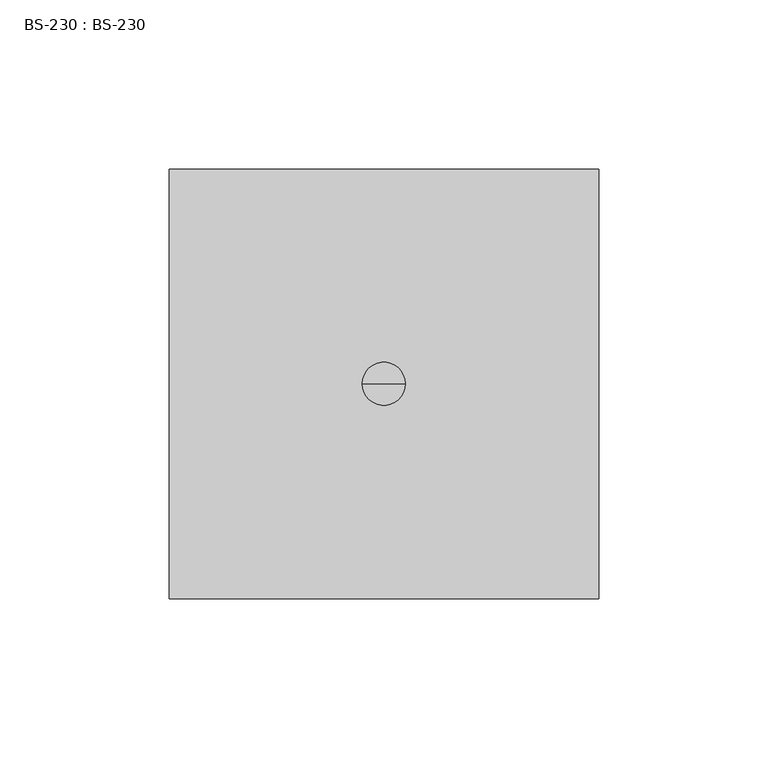
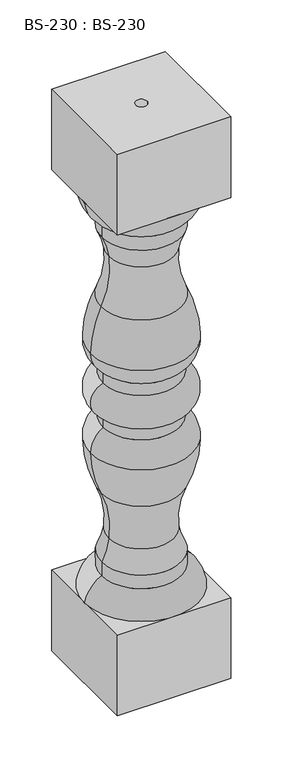
"""IFC4 building model written with IfcOpenShell, lengths in millimetres: proxy geometry, BS-230 : BS-230."""

import ifcopenshell
import ifcopenshell.guid

model = None  # the IFC model being written
_history = None  # IfcOwnerHistory: only IFC2X3 demands one
_inside = {}  # id of a spatial element -> (the spatial element, [elements in it])
_under = {}  # id of a project, library or spatial element -> (it, [spatial elements below it])
_declared = {}  # id of a project -> (the project, [libraries it declares])
_typed = {}  # id of a type object -> (the type object, [elements of that type])
_made_of = {}  # id of a material, layer set ... -> (it, [elements and type objects made of it])


def new_model(schema):
    """Start an empty IFC model of exactly this schema.

    Asked for "IFC4X3", IfcOpenShell would pick the latest addendum, in which some entities
    have other attributes; the version numbers below select the first issue.
    IFC2X3 requires an IfcOwnerHistory on every rooted entity: one is made here for all.
    """
    global model, _history
    if schema == "IFC4X3":
        model = ifcopenshell.file(schema_version=(4, 3, 0, 0))
    else:
        model = ifcopenshell.file(schema=schema)
    _inside.clear()
    _under.clear()
    _declared.clear()
    _typed.clear()
    _made_of.clear()
    _history = None
    if model.schema == "IFC2X3":
        org = make("IfcOrganization", Name="unknown")
        user = make(
            "IfcPersonAndOrganization",
            ThePerson=make("IfcPerson", FamilyName="unknown"),
            TheOrganization=org,
        )
        app = make(
            "IfcApplication",
            ApplicationDeveloper=org,
            Version="unknown",
            ApplicationFullName="unknown",
            ApplicationIdentifier="unknown",
        )
        _history = make(
            "IfcOwnerHistory",
            OwningUser=user,
            OwningApplication=app,
            ChangeAction="ADDED",
            CreationDate=0,
        )
    return model


def make(cls, **values):
    """One entity of the class cls with the attributes given. An attribute that is None is left unset."""
    return model.create_entity(
        cls, **{name: value for name, value in values.items() if value is not None}
    )


def rooted(cls, **values):
    """An entity with a GlobalId (a new one), such as an element, a storey or a relation."""
    return make(cls, GlobalId=ifcopenshell.guid.new(), OwnerHistory=_history, **values)


def si_unit(unit_type, name, prefix=None):
    """IfcSIUnit, for example si_unit("LENGTHUNIT", "METRE", prefix="MILLI")."""
    return make("IfcSIUnit", UnitType=unit_type, Prefix=prefix, Name=name)


def assignment(units):
    """IfcUnitAssignment: the units of a project."""
    return None if units is None else make("IfcUnitAssignment", Units=units)


def point(xyz):
    """IfcCartesianPoint."""
    return None if xyz is None else make("IfcCartesianPoint", Coordinates=xyz)


def direction(xyz):
    """IfcDirection."""
    return None if xyz is None else make("IfcDirection", DirectionRatios=xyz)


def frame(location, z_axis=None, x_axis=None):
    """IfcAxis2Placement3D, a coordinate frame: its origin and axes. An axis left out is left unset."""
    return make(
        "IfcAxis2Placement3D",
        Location=point(location),
        Axis=direction(z_axis),
        RefDirection=direction(x_axis),
    )


def frame_2d(location, x_axis=None):
    """IfcAxis2Placement2D, a coordinate frame in the plane: its origin and x axis."""
    return make(
        "IfcAxis2Placement2D", Location=point(location), RefDirection=direction(x_axis)
    )


def origin():
    """The frame at (0, 0, 0) with its axes left unset."""
    return frame((0.0, 0.0, 0.0))


def origin_with_axes():
    """The frame at (0, 0, 0) with the z axis (0, 0, 1) and the x axis (1, 0, 0) written out."""
    return frame((0.0, 0.0, 0.0), z_axis=(0.0, 0.0, 1.0), x_axis=(1.0, 0.0, 0.0))


def origin_2d():
    """The frame at (0, 0) in the plane with its x axis left unset."""
    return frame_2d((0.0, 0.0))


def place(relative_to, where):
    """IfcLocalPlacement: puts the frame where relative to a parent placement (None: the world)."""
    return make(
        "IfcLocalPlacement", PlacementRelTo=relative_to, RelativePlacement=where
    )


def context(
    kind, dimensions, precision=None, world=None, true_north=None, identifier=None
):
    """IfcGeometricRepresentationContext, for example the 3D "Model" context."""
    return make(
        "IfcGeometricRepresentationContext",
        ContextIdentifier=identifier,
        ContextType=kind,
        CoordinateSpaceDimension=dimensions,
        Precision=precision,
        WorldCoordinateSystem=world,
        TrueNorth=true_north,
    )


def project(units=None, contexts=None):
    """IfcProject with its units and contexts."""
    return rooted(
        "IfcProject",
        Name="project",
        RepresentationContexts=contexts,
        UnitsInContext=assignment(units),
    )


def spatial(cls, under=None, at=None, **own):
    """A site, building, storey or space (cls), placed at a placement, below another one or the project."""
    s = rooted(cls, ObjectPlacement=at, **own)
    if under is not None:
        _under.setdefault(under.id(), (under, []))[1].append(s)
    return s


def polyline(points):
    """IfcPolyline through the points."""
    return make("IfcPolyline", Points=[point(p) for p in points])


def circle_curve(where, radius):
    """IfcCircle in the frame where."""
    return make("IfcCircle", Position=where, Radius=radius)


def ellipse_curve(where, semi_axis1, semi_axis2):
    """IfcEllipse in the frame where."""
    return make(
        "IfcEllipse", Position=where, SemiAxis1=semi_axis1, SemiAxis2=semi_axis2
    )


def trimmed(basis, trim1, trim2, sense, master):
    """IfcTrimmedCurve: the piece of a basis curve between two trims."""
    return make(
        "IfcTrimmedCurve",
        BasisCurve=basis,
        Trim1=trim1,
        Trim2=trim2,
        SenseAgreement=sense,
        MasterRepresentation=master,
    )


def segment(curve, same_sense, transition):
    """IfcCompositeCurveSegment."""
    return make(
        "IfcCompositeCurveSegment",
        Transition=transition,
        SameSense=same_sense,
        ParentCurve=curve,
    )


def composite_curve(segments, self_intersect=None):
    """IfcCompositeCurve: segments joined end to end."""
    return make("IfcCompositeCurve", Segments=segments, SelfIntersect=self_intersect)


def outline(outer, holes=None, kind="AREA"):
    """IfcArbitraryClosedProfileDef: a profile drawn as a closed curve; with holes, ...WithVoids."""
    if holes is None:
        return make("IfcArbitraryClosedProfileDef", ProfileType=kind, OuterCurve=outer)
    return make(
        "IfcArbitraryProfileDefWithVoids",
        ProfileType=kind,
        OuterCurve=outer,
        InnerCurves=holes,
    )


def extrude(swept, where, along, depth):
    """IfcExtrudedAreaSolid: the profile swept, set in the frame where, extruded along a direction by depth."""
    return make(
        "IfcExtrudedAreaSolid",
        SweptArea=swept,
        Position=where,
        ExtrudedDirection=direction(along),
        Depth=depth,
    )


def shape(context_of_items, identifier, shape_type, items):
    """IfcShapeRepresentation: the items that make up one representation, for example the "Body"."""
    return make(
        "IfcShapeRepresentation",
        ContextOfItems=context_of_items,
        RepresentationIdentifier=identifier,
        RepresentationType=shape_type,
        Items=items,
    )


def source(mapping_origin, context_of_items, identifier, shape_type, items):
    """IfcRepresentationMap: a shape defined once, which mapped items show again and again."""
    return make(
        "IfcRepresentationMap",
        MappingOrigin=mapping_origin,
        MappedRepresentation=shape(context_of_items, identifier, shape_type, items),
    )


def transform(
    local_origin,
    x_axis=None,
    y_axis=None,
    z_axis=None,
    scale=None,
    scale2=None,
    scale3=None,
    uniform=True,
):
    """IfcCartesianTransformationOperator3D, or its non-uniform kind. x_axis, y_axis, z_axis: its Axis1, 2, 3."""
    if uniform:
        return make(
            "IfcCartesianTransformationOperator3D",
            Axis1=direction(x_axis),
            Axis2=direction(y_axis),
            LocalOrigin=point(local_origin),
            Scale=scale,
            Axis3=direction(z_axis),
        )
    return make(
        "IfcCartesianTransformationOperator3DnonUniform",
        Axis1=direction(x_axis),
        Axis2=direction(y_axis),
        LocalOrigin=point(local_origin),
        Scale=scale,
        Axis3=direction(z_axis),
        Scale2=scale2,
        Scale3=scale3,
    )


def mapped(mapping_source, mapping_target):
    """IfcMappedItem: shows the shape of a source again, moved by a transform."""
    return make(
        "IfcMappedItem", MappingSource=mapping_source, MappingTarget=mapping_target
    )


def made_of(thing, what):
    """Note that an element or type object is made of a material, layer set ...; save() writes the relation."""
    if what is not None:
        _made_of.setdefault(what.id(), (what, []))[1].append(thing)
    return thing


def element(
    cls,
    number,
    at=None,
    inside=None,
    cuts=None,
    type_object=None,
    material=None,
    context=None,
    identifier="Body",
    shape_type=None,
    held_by="IfcProductDefinitionShape",
    body=None,
    shapes=None,
    **own,
):
    """One element of the class cls, such as IfcWall. Its Tag is "e" and its number.

    at: its placement. inside: the storey or other place that contains it. cuts: it is an
    opening in that element (IfcRelVoidsElement). A single representation is given by context,
    identifier, shape_type and body (its items); several are given by shapes. held_by: the class
    of the entity that holds the representations. save() writes the other relations.
    """
    e = rooted(cls, Tag="e%d" % number, ObjectPlacement=at, **own)
    if body is not None:
        shapes = [shape(context, identifier, shape_type, body)]
    if shapes is not None:
        e.Representation = make(held_by, Representations=shapes)
    if inside is not None:
        _inside.setdefault(inside.id(), (inside, []))[1].append(e)
    if cuts is not None:
        rooted(
            "IfcRelVoidsElement", RelatingBuildingElement=cuts, RelatedOpeningElement=e
        )
    if type_object is not None:
        _typed.setdefault(type_object.id(), (type_object, []))[1].append(e)
    return made_of(e, material)


def aggregate(whole, parts):
    """IfcRelAggregates: a whole, such as a stair, and the parts it consists of."""
    return rooted("IfcRelAggregates", RelatingObject=whole, RelatedObjects=parts)


def save(model, path):
    """Write the relations noted so far, then the file.

    IfcRelAggregates (storeys below a building ...), IfcRelContainedInSpatialStructure (elements
    in a storey), IfcRelDefinesByType, IfcRelAssociatesMaterial and IfcRelDeclares: one each for
    every whole, place, type object, material and project.
    """
    for whole, parts in _under.values():
        aggregate(whole, parts)
    for where, things in _inside.values():
        rooted(
            "IfcRelContainedInSpatialStructure",
            RelatedElements=things,
            RelatingStructure=where,
        )
    for kind, things in _typed.values():
        rooted("IfcRelDefinesByType", RelatedObjects=things, RelatingType=kind)
    for what, things in _made_of.values():
        rooted("IfcRelAssociatesMaterial", RelatedObjects=things, RelatingMaterial=what)
    for by, libraries in _declared.values():
        rooted("IfcRelDeclares", RelatingContext=by, RelatedDefinitions=libraries)
    model.write(path)


def plane_surface(at):
    """IfcPlane: the flat surface through the origin of the frame at, square to its z axis."""
    return make("IfcPlane", Position=at)


def cylinder_surface(at, radius):
    """IfcCylindricalSurface: all points at the distance radius from the z axis of the frame at."""
    return make("IfcCylindricalSurface", Position=at, Radius=radius)


def revolved_surface(curve, axis_point, axis_direction):
    """IfcSurfaceOfRevolution: the curve turned about the line through axis_point along axis_direction."""
    return make(
        "IfcSurfaceOfRevolution",
        SweptCurve=make("IfcArbitraryOpenProfileDef", ProfileType="CURVE", Curve=curve),
        AxisPosition=make("IfcAxis1Placement", Location=point(axis_point), Axis=direction(axis_direction)),
    )


def advanced_brep(points, edges, surfaces, faces):
    """IfcAdvancedBrep: a solid bounded by faces that lie on surfaces and meet in shared edges.

    An edge is (start, end): straight between two places in points (the first is 0);
    or (start, end, curve); or (start, end, curve, False) where it runs against its curve.
    A face is (place in surfaces, loops), or (place, loops, False) where it looks against
    its surface's normal. A loop lists edges by number (the first is 1), with a minus sign
    where the edge is run from its end to its start. The first loop is the outer one.
    """
    corners = [point(p) for p in points]
    vertices = [make("IfcVertexPoint", VertexGeometry=c) for c in corners]
    made = []
    for start, end, *more in edges:
        made.append(
            make(
                "IfcEdgeCurve",
                EdgeStart=vertices[start],
                EdgeEnd=vertices[end],
                EdgeGeometry=more[0] if more else make("IfcPolyline", Points=[corners[start], corners[end]]),
                SameSense=more[1] if len(more) > 1 else True,
            )
        )
    hull = []
    for where, loops, *sense in faces:
        bounds = []
        for j, loop in enumerate(loops):
            ring = [make("IfcOrientedEdge", EdgeElement=made[abs(k) - 1], Orientation=k > 0) for k in loop]
            bounds.append(
                make(
                    "IfcFaceOuterBound" if j == 0 else "IfcFaceBound",
                    Bound=make("IfcEdgeLoop", EdgeList=ring),
                    Orientation=True,
                )
            )
        hull.append(make("IfcAdvancedFace", Bounds=bounds, FaceSurface=surfaces[where], SameSense=sense[0] if sense else True))
    return make("IfcAdvancedBrep", Outer=make("IfcClosedShell", CfsFaces=hull))


def bs_230_bs_230_319cfed8(model_context):
    return source(origin(), model_context, "Body", "SolidModel", [
        advanced_brep(
        [(-44.45, 0.0, 136.525), (44.45, 0.0, 136.525), (44.45, 0.0, 120.65), (-44.45, 0.0, 120.65), (-36.5125, 0.0, 161.925), (36.5125, 0.0, 161.925), (-45.3505593, 0.0, 218.5235501), (45.3505593, 0.0, 218.5235501), (-57.15, 0.0, 269.875), (57.15, 0.0, 269.875), (-42.8625, 0.0, 295.275), (42.8625, 0.0, 295.275), (-42.8625, 0.0, 309.5625), (42.8625, 0.0, 309.5625), (-42.8625, 0.0, 347.6625), (42.8625, 0.0, 347.6625), (-42.8625, 0.0, 361.95), (42.8625, 0.0, 361.95), (-57.15, 0.0, 387.35), (57.15, 0.0, 387.35), (-45.3505593, 0.0, 438.7014499), (45.3505593, 0.0, 438.7014499), (-36.5125, 0.0, 495.3), (36.5125, 0.0, 495.3), (-44.45, 0.0, 536.575), (44.45, 0.0, 536.575), (44.45, 0.0, 520.7), (-44.45, 0.0, 520.7), (-63.5, 0.0, 568.325), (63.5, 0.0, 568.325), (0.0, 0.0, 568.325), (-63.5, 0.0, 95.25), (63.5, 0.0, 95.25), (0.0, 0.0, 95.25)],
        [
            (0, 1, circle_curve(frame((0.0, 0.0, 136.525), z_axis=(0.0, 0.0, -1.0), x_axis=(1.0, 0.0, 0.0)), 44.45)),
            (1, 2),
            (2, 3, circle_curve(frame((0.0, 0.0, 120.65), z_axis=(0.0, 0.0, 1.0), x_axis=(1.0, 0.0, 0.0)), 44.45)),
            (3, 0),
            (1, 0, circle_curve(frame((0.0, 0.0, 136.525), z_axis=(0.0, 0.0, -1.0), x_axis=(1.0, 0.0, 0.0)), 44.45)),
            (3, 2, circle_curve(frame((0.0, 0.0, 120.65), z_axis=(0.0, 0.0, 1.0), x_axis=(1.0, 0.0, 0.0)), 44.45)),
            (4, 5, circle_curve(frame((0.0, 0.0, 161.925), z_axis=(0.0, 0.0, -1.0), x_axis=(1.0, 0.0, 0.0)), 36.5125)),
            (5, 1, circle_curve(frame((112.499791, 0.0, 171.7307941), z_axis=(0.0, -1.0, 0.0), x_axis=(1.0, 0.0, 0.0)), 76.6173739)),
            (0, 4, circle_curve(frame((-112.499791, 0.0, 171.7307941), z_axis=(0.0, -1.0, 0.0), x_axis=(-1.0, 0.0, 0.0)), 76.6173739)),
            (5, 4, circle_curve(frame((0.0, 0.0, 161.925), z_axis=(0.0, 0.0, -1.0), x_axis=(1.0, 0.0, 0.0)), 36.5125)),
            (6, 7, circle_curve(frame((0.0, 0.0, 218.5235501), z_axis=(0.0, 0.0, -1.0), x_axis=(1.0, 0.0, 0.0)), 45.3505593)),
            (7, 5, circle_curve(frame((138.158572, 0.0, 175.0419362), z_axis=(0.0, -1.0, 0.0), x_axis=(1.0, 0.0, 0.0)), 102.4889163)),
            (4, 6, circle_curve(frame((-138.158572, 0.0, 175.0419362), z_axis=(0.0, -1.0, 0.0), x_axis=(-1.0, 0.0, 0.0)), 102.4889163)),
            (7, 6, circle_curve(frame((0.0, 0.0, 218.5235501), z_axis=(0.0, 0.0, -1.0), x_axis=(1.0, 0.0, 0.0)), 45.3505593)),
            (8, 9, circle_curve(frame((0.0, 0.0, 269.875), z_axis=(0.0, 0.0, -1.0), x_axis=(1.0, 0.0, 0.0)), 57.15)),
            (9, 7, circle_curve(frame((-67.8776922, 0.0, 271.572279), z_axis=(0.0, 1.0, 0.0), x_axis=(1.0, 0.0, 0.0)), 125.0392121)),
            (6, 8, circle_curve(frame((67.8776922, 0.0, 271.572279), z_axis=(0.0, 1.0, 0.0), x_axis=(-1.0, 0.0, 0.0)), 125.0392121)),
            (9, 8, circle_curve(frame((0.0, 0.0, 269.875), z_axis=(0.0, 0.0, -1.0), x_axis=(1.0, 0.0, 0.0)), 57.15)),
            (10, 11, circle_curve(frame((0.0, 0.0, 295.275), z_axis=(0.0, 0.0, -1.0), x_axis=(1.0, 0.0, 0.0)), 42.8625)),
            (11, 9, circle_curve(frame((28.1288606, 0.0, 270.2689685), z_axis=(0.0, 1.0, 0.0), x_axis=(1.0, 0.0, 0.0)), 29.0238134)),
            (8, 10, circle_curve(frame((-28.1288606, 0.0, 270.2689685), z_axis=(0.0, 1.0, 0.0), x_axis=(-1.0, 0.0, 0.0)), 29.0238134)),
            (11, 10, circle_curve(frame((0.0, 0.0, 295.275), z_axis=(0.0, 0.0, -1.0), x_axis=(1.0, 0.0, 0.0)), 42.8625)),
            (12, 13, circle_curve(frame((0.0, 0.0, 309.5625), z_axis=(0.0, 0.0, -1.0), x_axis=(1.0, 0.0, 0.0)), 42.8625)),
            (13, 11),
            (10, 12),
            (13, 12, circle_curve(frame((0.0, 0.0, 309.5625), z_axis=(0.0, 0.0, -1.0), x_axis=(1.0, 0.0, 0.0)), 42.8625)),
            (14, 15, circle_curve(frame((0.0, 0.0, 347.6625), z_axis=(0.0, 0.0, -1.0), x_axis=(1.0, 0.0, 0.0)), 42.8625)),
            (15, 13, circle_curve(frame((37.30625, 0.0, 328.6125), z_axis=(0.0, 1.0, 0.0), x_axis=(1.0, 0.0, 0.0)), 19.84375)),
            (12, 14, circle_curve(frame((-37.30625, 0.0, 328.6125), z_axis=(0.0, 1.0, 0.0), x_axis=(-1.0, 0.0, 0.0)), 19.84375)),
            (15, 14, circle_curve(frame((0.0, 0.0, 347.6625), z_axis=(0.0, 0.0, -1.0), x_axis=(1.0, 0.0, 0.0)), 42.8625)),
            (16, 17, circle_curve(frame((0.0, 0.0, 361.95), z_axis=(0.0, 0.0, -1.0), x_axis=(1.0, 0.0, 0.0)), 42.8625)),
            (17, 15),
            (14, 16),
            (17, 16, circle_curve(frame((0.0, 0.0, 361.95), z_axis=(0.0, 0.0, -1.0), x_axis=(1.0, 0.0, 0.0)), 42.8625)),
            (18, 19, circle_curve(frame((0.0, 0.0, 387.35), z_axis=(0.0, 0.0, -1.0), x_axis=(1.0, 0.0, 0.0)), 57.15)),
            (19, 17, circle_curve(frame((28.1288606, 0.0, 386.9560315), z_axis=(0.0, 1.0, 0.0), x_axis=(1.0, 0.0, 0.0)), 29.0238134)),
            (16, 18, circle_curve(frame((-28.1288606, 0.0, 386.9560315), z_axis=(0.0, 1.0, 0.0), x_axis=(-1.0, 0.0, 0.0)), 29.0238134)),
            (19, 18, circle_curve(frame((0.0, 0.0, 387.35), z_axis=(0.0, 0.0, -1.0), x_axis=(1.0, 0.0, 0.0)), 57.15)),
            (20, 21, circle_curve(frame((0.0, 0.0, 438.7014499), z_axis=(0.0, 0.0, -1.0), x_axis=(1.0, 0.0, 0.0)), 45.3505593)),
            (21, 19, circle_curve(frame((-67.8776922, 0.0, 385.652721), z_axis=(0.0, 1.0, 0.0), x_axis=(1.0, 0.0, 0.0)), 125.0392121)),
            (18, 20, circle_curve(frame((67.8776922, 0.0, 385.652721), z_axis=(0.0, 1.0, 0.0), x_axis=(-1.0, 0.0, 0.0)), 125.0392121)),
            (21, 20, circle_curve(frame((0.0, 0.0, 438.7014499), z_axis=(0.0, 0.0, -1.0), x_axis=(1.0, 0.0, 0.0)), 45.3505593)),
            (22, 23, circle_curve(frame((0.0, 0.0, 495.3), z_axis=(0.0, 0.0, -1.0), x_axis=(1.0, 0.0, 0.0)), 36.5125)),
            (23, 21, circle_curve(frame((138.158572, 0.0, 482.1830638), z_axis=(0.0, -1.0, 0.0), x_axis=(1.0, 0.0, 0.0)), 102.4889163)),
            (20, 22, circle_curve(frame((-138.158572, 0.0, 482.1830638), z_axis=(0.0, -1.0, 0.0), x_axis=(-1.0, 0.0, 0.0)), 102.4889163)),
            (23, 22, circle_curve(frame((0.0, 0.0, 495.3), z_axis=(0.0, 0.0, -1.0), x_axis=(1.0, 0.0, 0.0)), 36.5125)),
            (24, 25, circle_curve(frame((0.0, 0.0, 536.575), z_axis=(0.0, 0.0, -1.0), x_axis=(1.0, 0.0, 0.0)), 44.45)),
            (25, 26),
            (26, 27, circle_curve(frame((0.0, 0.0, 520.7), z_axis=(0.0, 0.0, 1.0), x_axis=(1.0, 0.0, 0.0)), 44.45)),
            (27, 24),
            (25, 24, circle_curve(frame((0.0, 0.0, 536.575), z_axis=(0.0, 0.0, -1.0), x_axis=(1.0, 0.0, 0.0)), 44.45)),
            (27, 26, circle_curve(frame((0.0, 0.0, 520.7), z_axis=(0.0, 0.0, 1.0), x_axis=(1.0, 0.0, 0.0)), 44.45)),
            (28, 29, circle_curve(frame((0.0, 0.0, 568.325), z_axis=(0.0, 0.0, -1.0), x_axis=(1.0, 0.0, 0.0)), 63.5)),
            (29, 25, circle_curve(frame((23.2083802, 0.0, 570.9099719), z_axis=(0.0, 1.0, 0.0), x_axis=(1.0, 0.0, 0.0)), 40.3744561)),
            (24, 28, circle_curve(frame((-23.2083802, 0.0, 570.9099719), z_axis=(0.0, 1.0, 0.0), x_axis=(-1.0, 0.0, 0.0)), 40.3744561)),
            (29, 28, circle_curve(frame((0.0, 0.0, 568.325), z_axis=(0.0, 0.0, -1.0), x_axis=(1.0, 0.0, 0.0)), 63.5)),
            (30, 29),
            (28, 30),
            (31, 32, circle_curve(frame((0.0, 0.0, 95.25), z_axis=(0.0, 0.0, -1.0), x_axis=(1.0, 0.0, 0.0)), 63.5)),
            (32, 33),
            (33, 31),
            (32, 31, circle_curve(frame((0.0, 0.0, 95.25), z_axis=(0.0, 0.0, -1.0), x_axis=(1.0, 0.0, 0.0)), 63.5)),
            (2, 32, circle_curve(frame((30.012896, 0.0, 89.978422), z_axis=(0.0, 1.0, 0.0), x_axis=(1.0, 0.0, 0.0)), 33.8994937)),
            (31, 3, circle_curve(frame((-30.012896, 0.0, 89.978422), z_axis=(0.0, 1.0, 0.0), x_axis=(-1.0, 0.0, 0.0)), 33.8994937)),
            (26, 23, circle_curve(frame((112.499791, 0.0, 485.4942059), z_axis=(0.0, -1.0, 0.0), x_axis=(1.0, 0.0, 0.0)), 76.6173739)),
            (22, 27, circle_curve(frame((-112.499791, 0.0, 485.4942059), z_axis=(0.0, -1.0, 0.0), x_axis=(-1.0, 0.0, 0.0)), 76.6173739)),
        ],
        [
            cylinder_surface(frame((0.0, 0.0, 568.325), z_axis=(0.0, 0.0, 1.0), x_axis=(1.0, 0.0, 0.0)), 44.45),
            revolved_surface(trimmed(ellipse_curve(frame((112.499791, 0.0, 171.7307941), z_axis=(0.0, 1.0, 0.0), x_axis=(1.0, 0.0, 0.0)), 76.6173739, 76.6173739), [point((44.45, 0.0, 136.525))], [point((36.5125, 0.0, 161.925))], True, "CARTESIAN"), (0.0, 0.0, 568.325), (0.0, 0.0, 1.0)),
            revolved_surface(trimmed(ellipse_curve(frame((138.158572, 0.0, 175.0419362), z_axis=(0.0, 1.0, 0.0), x_axis=(1.0, 0.0, 0.0)), 102.4889163, 102.4889163), [point((36.5125, 0.0, 161.925))], [point((45.3505593, 0.0, 218.5235501))], True, "CARTESIAN"), (0.0, 0.0, 568.325), (0.0, 0.0, 1.0)),
            revolved_surface(trimmed(ellipse_curve(frame((-67.8776922, 0.0, 271.572279), z_axis=(0.0, -1.0, 0.0), x_axis=(1.0, 0.0, 0.0)), 125.0392121, 125.0392121), [point((45.3505593, 0.0, 218.5235501))], [point((57.15, 0.0, 269.875))], True, "CARTESIAN"), (0.0, 0.0, 568.325), (0.0, 0.0, 1.0)),
            revolved_surface(trimmed(ellipse_curve(frame((28.1288606, 0.0, 270.2689685), z_axis=(0.0, -1.0, 0.0), x_axis=(1.0, 0.0, 0.0)), 29.0238134, 29.0238134), [point((57.15, 0.0, 269.875))], [point((42.8625, 0.0, 295.275))], True, "CARTESIAN"), (0.0, 0.0, 568.325), (0.0, 0.0, 1.0)),
            cylinder_surface(frame((0.0, 0.0, 568.325), z_axis=(0.0, 0.0, 1.0), x_axis=(1.0, 0.0, 0.0)), 42.8625),
            revolved_surface(trimmed(ellipse_curve(frame((37.30625, 0.0, 328.6125), z_axis=(0.0, -1.0, 0.0), x_axis=(1.0, 0.0, 0.0)), 19.84375, 19.84375), [point((42.8625, 0.0, 309.5625))], [point((42.8625, 0.0, 347.6625))], True, "CARTESIAN"), (0.0, 0.0, 568.325), (0.0, 0.0, 1.0)),
            revolved_surface(trimmed(ellipse_curve(frame((28.1288606, 0.0, 386.9560315), z_axis=(0.0, -1.0, 0.0), x_axis=(1.0, 0.0, 0.0)), 29.0238134, 29.0238134), [point((42.8625, 0.0, 361.95))], [point((57.15, 0.0, 387.35))], True, "CARTESIAN"), (0.0, 0.0, 568.325), (0.0, 0.0, 1.0)),
            revolved_surface(trimmed(ellipse_curve(frame((-67.8776922, 0.0, 385.652721), z_axis=(0.0, -1.0, 0.0), x_axis=(1.0, 0.0, 0.0)), 125.0392121, 125.0392121), [point((57.15, 0.0, 387.35))], [point((45.3505593, 0.0, 438.7014499))], True, "CARTESIAN"), (0.0, 0.0, 568.325), (0.0, 0.0, 1.0)),
            revolved_surface(trimmed(ellipse_curve(frame((138.158572, 0.0, 482.1830638), z_axis=(0.0, 1.0, 0.0), x_axis=(1.0, 0.0, 0.0)), 102.4889163, 102.4889163), [point((45.3505593, 0.0, 438.7014499))], [point((36.5125, 0.0, 495.3))], True, "CARTESIAN"), (0.0, 0.0, 568.325), (0.0, 0.0, 1.0)),
            revolved_surface(trimmed(ellipse_curve(frame((23.2083802, 0.0, 570.9099719), z_axis=(0.0, -1.0, 0.0), x_axis=(1.0, 0.0, 0.0)), 40.3744561, 40.3744561), [point((44.45, 0.0, 536.575))], [point((63.5, 0.0, 568.325))], True, "CARTESIAN"), (0.0, 0.0, 568.325), (0.0, 0.0, 1.0)),
            plane_surface(frame((0.0, 0.0, 568.325), z_axis=(0.0, 0.0, 1.0), x_axis=(1.0, 0.0, 0.0))),
            plane_surface(frame((0.0, 0.0, 95.25), z_axis=(0.0, 0.0, -1.0), x_axis=(1.0, 0.0, 0.0))),
            revolved_surface(trimmed(ellipse_curve(frame((30.012896, 0.0, 89.978422), z_axis=(0.0, -1.0, 0.0), x_axis=(1.0, 0.0, 0.0)), 33.8994937, 33.8994937), [point((63.5, 0.0, 95.25))], [point((44.45, 0.0, 120.65))], True, "CARTESIAN"), (0.0, 0.0, 568.325), (0.0, 0.0, 1.0)),
            revolved_surface(trimmed(ellipse_curve(frame((112.499791, 0.0, 485.4942059), z_axis=(0.0, 1.0, 0.0), x_axis=(1.0, 0.0, 0.0)), 76.6173739, 76.6173739), [point((36.5125, 0.0, 495.3))], [point((44.45, 0.0, 520.7))], True, "CARTESIAN"), (0.0, 0.0, 568.325), (0.0, 0.0, 1.0)),
        ],
        [
            (0, [[1, 2, 3, 4]]),
            (0, [[5, -4, 6, -2]]),
            (1, [[7, 8, -1, 9]]),
            (1, [[10, -9, -5, -8]]),
            (2, [[11, 12, -7, 13]]),
            (2, [[14, -13, -10, -12]]),
            (3, [[15, 16, -11, 17]]),
            (3, [[18, -17, -14, -16]]),
            (4, [[19, 20, -15, 21]]),
            (4, [[22, -21, -18, -20]]),
            (5, [[23, 24, -19, 25]]),
            (5, [[26, -25, -22, -24]]),
            (6, [[27, 28, -23, 29]]),
            (6, [[30, -29, -26, -28]]),
            (5, [[31, 32, -27, 33]]),
            (5, [[34, -33, -30, -32]]),
            (7, [[35, 36, -31, 37]]),
            (7, [[38, -37, -34, -36]]),
            (8, [[39, 40, -35, 41]]),
            (8, [[42, -41, -38, -40]]),
            (9, [[43, 44, -39, 45]]),
            (9, [[46, -45, -42, -44]]),
            (0, [[47, 48, 49, 50]]),
            (0, [[51, -50, 52, -48]]),
            (10, [[53, 54, -47, 55]]),
            (10, [[56, -55, -51, -54]]),
            (11, [[57, -53, 58]]),
            (11, [[-58, -56, -57]]),
            (12, [[59, 60, 61]]),
            (12, [[62, -61, -60]]),
            (13, [[-3, 63, -59, 64]]),
            (13, [[-6, -64, -62, -63]]),
            (14, [[-49, 65, -43, 66]]),
            (14, [[-52, -66, -46, -65]]),
        ],
    ),
        extrude(outline(polyline([(63.5, -63.5014432), (-63.5, -63.5014432), (-63.5, 63.4873536), (63.5, 63.4873536), (63.5, -63.5014432)])), origin_with_axes(), (0.0, 0.0, 1.0), 95.25),
        extrude(outline(polyline([(63.5, -63.5014432), (-63.5, -63.5014432), (-63.5, 63.4873536), (63.5, 63.4873536), (63.5, -63.5014432)]), holes=[composite_curve([segment(trimmed(circle_curve(origin_2d(), 6.35), [point((6.35, 0.0))], [point((-6.35, 0.0))], True, "CARTESIAN"), True, "CONTINUOUS"), segment(trimmed(circle_curve(origin_2d(), 6.35), [point((-6.35, 0.0))], [point((6.35, 0.0))], True, "CARTESIAN"), True, "CONTINUOUS")], self_intersect=False)]), frame((0.0, 0.0, 568.325), z_axis=(0.0, 0.0, 1.0), x_axis=(1.0, 0.0, 0.0)), (0.0, 0.0, 1.0), 95.25),
    ])


if __name__ == "__main__":
    model = new_model("IFC4")
    model_context = context("Model", 3, world=origin())
    ifc_project = project(units=[si_unit("LENGTHUNIT", "METRE", prefix="MILLI")], contexts=[model_context])
    site = spatial("IfcSite", under=ifc_project)
    building = spatial("IfcBuilding", under=site)
    placement = place(None, origin())
    bs_230_bs_230_shape = bs_230_bs_230_319cfed8(model_context)
    element("IfcBuildingElementProxy", 1, Name="BS-230 : BS-230", ObjectType="BS-230 : BS-230", at=placement, inside=building, context=model_context, shape_type="MappedRepresentation", body=[
        mapped(bs_230_bs_230_shape, transform((0.0, 0.0, 0.0), x_axis=(1.0, 0.0, 0.0), y_axis=(0.0, 1.0, 0.0), z_axis=(0.0, 0.0, 1.0))),
    ])
    save(model, "model.ifc")
